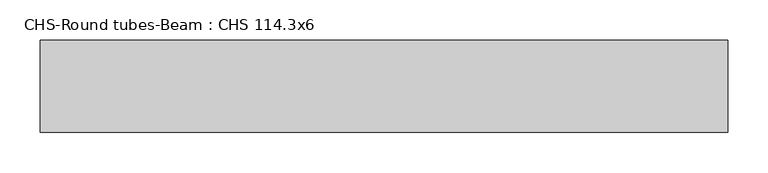
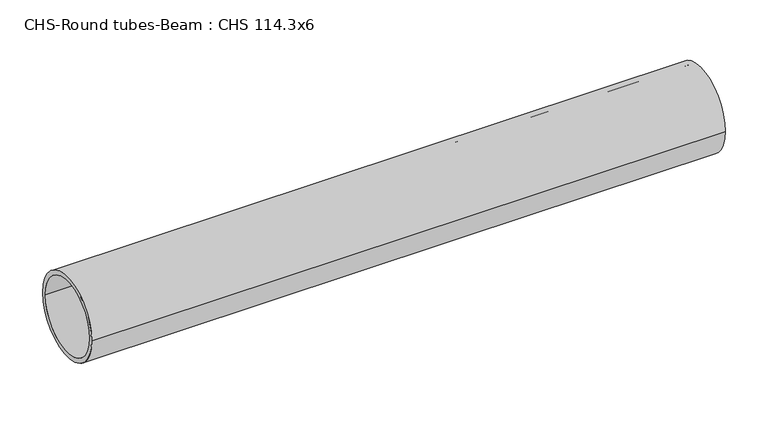
"""IFC4 building model written with IfcOpenShell, lengths in millimetres: beam geometry, CHS-Round tubes-Beam : CHS 114.3x6."""

from ifc_helpers import new_model, si_unit, point, frame, origin, origin_2d, place, context, project, spatial, circle_curve, trimmed, segment, composite_curve, outline, extrude, source, transform, mapped, element, save


def chs_round_tubes_beam_chs_114_3x6_e995c33e(model_context):
    return source(origin(), model_context, "Body", "SweptSolid", [
        extrude(outline(composite_curve([segment(trimmed(circle_curve(origin_2d(), 57.15), [point((57.15, 0.0))], [point((-57.15, 0.0))], False, "CARTESIAN"), True, "CONTINUOUS"), segment(trimmed(circle_curve(origin_2d(), 57.15), [point((-57.15, 0.0))], [point((57.15, 0.0))], False, "CARTESIAN"), True, "CONTINUOUS")], self_intersect=False), holes=[composite_curve([segment(trimmed(circle_curve(origin_2d(), 51.15), [point((51.15, 0.0))], [point((-51.15, 0.0))], True, "CARTESIAN"), True, "CONTINUOUS"), segment(trimmed(circle_curve(origin_2d(), 51.15), [point((-51.15, 0.0))], [point((51.15, 0.0))], True, "CARTESIAN"), True, "CONTINUOUS")], self_intersect=False)]), frame((-432.6646782, 0.0, 0.0), z_axis=(1.0, 0.0, 0.0), x_axis=(0.0, 1.0, 0.0)), (0.0, 0.0, 1.0), 853.9605814),
    ])


if __name__ == "__main__":
    model = new_model("IFC4")
    model_context = context("Model", 3, world=origin())
    ifc_project = project(units=[si_unit("LENGTHUNIT", "METRE", prefix="MILLI")], contexts=[model_context])
    site = spatial("IfcSite", under=ifc_project)
    building = spatial("IfcBuilding", under=site)
    placement = place(None, origin())
    chs_round_tubes_beam_chs_114_3x6_shape = chs_round_tubes_beam_chs_114_3x6_e995c33e(model_context)
    element("IfcBeam", 1, ObjectType="CHS-Round tubes-Beam : CHS 114.3x6", at=placement, inside=building, context=model_context, shape_type="MappedRepresentation", body=[
        mapped(chs_round_tubes_beam_chs_114_3x6_shape, transform((0.0, 0.0, 0.0), x_axis=(1.0, 0.0, 0.0), y_axis=(0.0, 1.0, 0.0), z_axis=(0.0, 0.0, 1.0))),
    ])
    save(model, "model.ifc")
